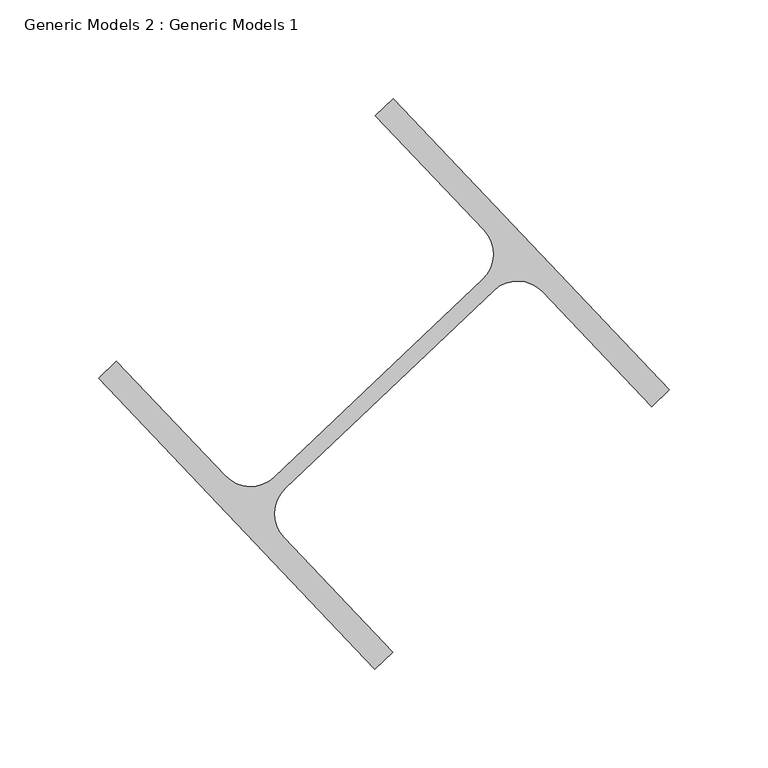
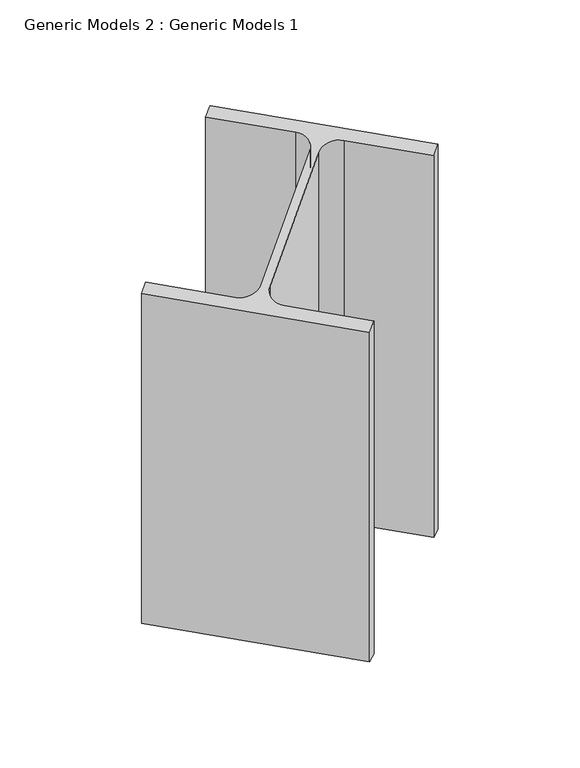
"""IFC4 building model written with IfcOpenShell, lengths in millimetres: proxy geometry, Generic Models 2 : Generic Models 1."""

from ifc_helpers import new_model, si_unit, frame, origin, place, context, project, spatial, polyline, circle_curve, ellipse_curve, source, transform, mapped, element, save
from ifc_brep_helpers import plane_surface, revolved_surface, advanced_brep


def generic_models_2_generic_models_1_a62232af(model_context):
    return source(origin(), model_context, "Body", "AdvancedBrep", [
        advanced_brep(
        [(110651.067529, 55445.4400505, 17094.2), (110791.2908629, 55297.6754881, 17094.2), (110782.170731, 55289.020806, 17094.2), (110726.8769288, 55347.2883158, 17094.2), (110702.0101435, 55347.9394755, 17094.2), (110596.1613391, 55247.4927108, 17094.2), (110595.5101794, 55222.6259255, 17094.2), (110650.8039816, 55164.3584157, 17094.2), (110641.6838497, 55155.7037336, 17094.2), (110501.4605158, 55303.468296, 17094.2), (110510.5806477, 55312.122978, 17094.2), (110565.8744499, 55253.8554683, 17094.2), (110590.7412352, 55253.2043086, 17094.2), (110696.5900395, 55353.6510733, 17094.2), (110697.2411992, 55378.5178586, 17094.2), (110641.9473971, 55436.7853684, 17094.2), (110641.9473971, 55436.7853684, 17492.9505337), (110651.067529, 55445.4400505, 17496.4957048), (110697.2411992, 55378.5178586, 17492.9505337), (110696.5900395, 55353.6510733, 17487.9908753), (110590.7412352, 55253.2043086, 17446.8454053), (110565.8744499, 55253.8554683, 17441.8857469), (110510.5806477, 55312.122978, 17441.8857469), (110501.4605158, 55303.468296, 17438.3405758), (110641.6838497, 55155.7037336, 17438.3405758), (110650.8039816, 55164.3584157, 17441.8857469), (110595.5101794, 55222.6259255, 17441.8857469), (110596.1613391, 55247.4927108, 17446.8454053), (110702.0101435, 55347.9394755, 17487.9908753), (110726.8769288, 55347.2883158, 17492.9505337), (110782.170731, 55289.020806, 17492.9505337), (110791.2908629, 55297.6754881, 17496.4957048)],
        [
            (0, 1),
            (1, 2),
            (2, 3),
            (3, 4, circle_curve(frame((110714.1179563, 55335.180503, 17094.2), z_axis=(0.0, 0.0, 1.0), x_axis=(-0.6883545756937515, 0.7253743710122901, 0.0)), 17.5895)),
            (4, 5),
            (5, 6, circle_curve(frame((110608.2691519, 55234.7337383, 17094.2), z_axis=(0.0, 0.0, 1.0), x_axis=(-0.6883545756937515, 0.7253743710122901, 0.0)), 17.5895)),
            (6, 7),
            (7, 8),
            (8, 9),
            (9, 10),
            (10, 11),
            (11, 12, circle_curve(frame((110578.6334224, 55265.9632811, 17094.2), z_axis=(0.0, 0.0, 1.0), x_axis=(-0.6883545756937515, 0.7253743710122901, 0.0)), 17.5895)),
            (12, 13),
            (13, 14, circle_curve(frame((110684.4822267, 55366.4100458, 17094.2), z_axis=(0.0, 0.0, 1.0), x_axis=(-0.6883545756937515, 0.7253743710122901, 0.0)), 17.5895)),
            (14, 15),
            (15, 0),
            (15, 16),
            (16, 17),
            (17, 0),
            (14, 18),
            (18, 16),
            (13, 19),
            (19, 18, ellipse_curve(frame((110684.4822267, 55366.4100458, 17487.9908753), z_axis=(-0.19685573746610996, -0.1868091196098546, 0.9624708678486146), x_axis=(0.6981517003833404, 0.6625212258555316, 0.27138501900940354)), 18.2753583, 17.5895)),
            (12, 20),
            (20, 19),
            (11, 21),
            (21, 20, ellipse_curve(frame((110578.6334224, 55265.9632811, 17446.8454053), z_axis=(-0.19685573746610996, -0.1868091196098546, 0.9624708678486146), x_axis=(0.6981517003833404, 0.6625212258555316, 0.27138501900940354)), 18.2753583, 17.5895)),
            (10, 22),
            (22, 21),
            (9, 23),
            (23, 22),
            (8, 24),
            (24, 23),
            (7, 25),
            (25, 24),
            (6, 26),
            (26, 25),
            (5, 27),
            (27, 26, ellipse_curve(frame((110608.2691519, 55234.7337383, 17446.8454053), z_axis=(-0.19685573746610996, -0.1868091196098546, 0.9624708678486146), x_axis=(0.6981517003833404, 0.6625212258555316, 0.27138501900940354)), 18.2753583, 17.5895)),
            (4, 28),
            (28, 27),
            (3, 29),
            (29, 28, ellipse_curve(frame((110714.1179563, 55335.180503, 17487.9908753), z_axis=(-0.19685573746610996, -0.1868091196098546, 0.9624708678486146), x_axis=(0.6981517003833404, 0.6625212258555316, 0.27138501900940354)), 18.2753583, 17.5895)),
            (2, 30),
            (30, 29),
            (1, 31),
            (31, 30),
            (17, 31),
        ],
        [
            plane_surface(frame((110721.179196, 55371.5577693, 17094.2), z_axis=(0.0, 0.0, -1.0), x_axis=(0.6883545756937528, -0.7253743710122889, 0.0))),
            plane_surface(frame((110641.9473971, 55436.7853684, 17094.2), z_axis=(-0.6883545756937515, 0.7253743710122901, 0.0), x_axis=(0.0, 0.0, 1.0))),
            plane_surface(frame((110697.2411992, 55378.5178586, 17094.2), z_axis=(-0.7253743710122901, -0.6883545756937515, 0.0), x_axis=(0.0, 0.0, 1.0))),
            revolved_surface(polyline([(110672.37441389084, 55379.169018298926, 17492.95053375965), (110672.37441389084, 55379.169018298926, 17094.2)]), (110684.4822267, 55366.4100458, 17094.2), (0.0, 0.0, 1.0)),
            plane_surface(frame((110590.7412352, 55253.2043086, 17094.2), z_axis=(-0.6883545756937515, 0.7253743710122901, 0.0), x_axis=(0.0, 0.0, 1.0))),
            revolved_surface(polyline([(110566.52560959084, 55278.72225359892, 17451.805063759646), (110566.52560959084, 55278.72225359892, 17094.2)]), (110578.6334224, 55265.9632811, 17094.2), (0.0, 0.0, 1.0)),
            plane_surface(frame((110510.5806477, 55312.122978, 17094.2), z_axis=(0.7253743710122901, 0.6883545756937515, 0.0), x_axis=(0.0, 0.0, 1.0))),
            plane_surface(frame((110501.4605158, 55303.468296, 17094.2), z_axis=(-0.6883545756937515, 0.7253743710122901, 0.0), x_axis=(0.0, 0.0, 1.0))),
            plane_surface(frame((110641.6838497, 55155.7037336, 17094.2), z_axis=(-0.7253743710122901, -0.6883545756937515, 0.0), x_axis=(0.0, 0.0, 1.0))),
            plane_surface(frame((110650.8039816, 55164.3584157, 17094.2), z_axis=(0.6883545756937515, -0.7253743710122901, 0.0), x_axis=(0.0, 0.0, 1.0))),
            plane_surface(frame((110595.5101794, 55222.6259255, 17094.2), z_axis=(0.7253743710122901, 0.6883545756937515, 0.0), x_axis=(0.0, 0.0, 1.0))),
            revolved_surface(polyline([(110596.16133909085, 55247.49271079892, 17451.805063759646), (110596.16133909085, 55247.49271079892, 17094.2)]), (110608.2691519, 55234.7337383, 17094.2), (0.0, 0.0, 1.0)),
            plane_surface(frame((110702.0101435, 55347.9394755, 17094.2), z_axis=(0.6883545756937515, -0.7253743710122901, 0.0), x_axis=(0.0, 0.0, 1.0))),
            revolved_surface(polyline([(110702.01014349084, 55347.939475498926, 17492.95053375965), (110702.01014349084, 55347.939475498926, 17094.2)]), (110714.1179563, 55335.180503, 17094.2), (0.0, 0.0, 1.0)),
            plane_surface(frame((110782.170731, 55289.020806, 17094.2), z_axis=(-0.7253743710122901, -0.6883545756937515, 0.0), x_axis=(0.0, 0.0, 1.0))),
            plane_surface(frame((110791.2908629, 55297.6754881, 17094.2), z_axis=(0.6883545756937515, -0.7253743710122901, 0.0), x_axis=(0.0, 0.0, 1.0))),
            plane_surface(frame((110651.067529, 55445.4400505, 17094.2), z_axis=(0.7253743710122901, 0.6883545756937515, 0.0), x_axis=(0.0, 0.0, 1.0))),
            plane_surface(frame((110118.1799595, 56200.3390724, 17534.0241614), z_axis=(-0.19685573746610996, -0.1868091196098546, 0.9624708678486146), x_axis=(0.6883545756937519, -0.7253743710122897, 0.0))),
        ],
        [
            (0, [[1, 2, 3, 4, 5, 6, 7, 8, 9, 10, 11, 12, 13, 14, 15, 16]]),
            (1, [[-16, 17, 18, 19]]),
            (2, [[-15, 20, 21, -17]]),
            (3, [[-14, 22, 23, -20]]),
            (4, [[-13, 24, 25, -22]]),
            (5, [[-12, 26, 27, -24]]),
            (6, [[-11, 28, 29, -26]]),
            (7, [[-10, 30, 31, -28]]),
            (8, [[-9, 32, 33, -30]]),
            (9, [[-8, 34, 35, -32]]),
            (10, [[-7, 36, 37, -34]]),
            (11, [[-6, 38, 39, -36]]),
            (12, [[-5, 40, 41, -38]]),
            (13, [[-4, 42, 43, -40]]),
            (14, [[-3, 44, 45, -42]]),
            (15, [[-2, 46, 47, -44]]),
            (16, [[-1, -19, 48, -46]]),
            (17, [[-18, -21, -23, -25, -27, -29, -31, -33, -35, -37, -39, -41, -43, -45, -47, -48]]),
        ],
    ),
    ])


if __name__ == "__main__":
    model = new_model("IFC4")
    model_context = context("Model", 3, world=origin())
    ifc_project = project(units=[si_unit("LENGTHUNIT", "METRE", prefix="MILLI")], contexts=[model_context])
    site = spatial("IfcSite", under=ifc_project)
    building = spatial("IfcBuilding", under=site)
    placement = place(None, origin())
    generic_models_2_generic_models_1_shape = generic_models_2_generic_models_1_a62232af(model_context)
    element("IfcBuildingElementProxy", 1, Name="Generic Models 2 : Generic Models 1", ObjectType="Generic Models 2 : Generic Models 1", at=placement, inside=building, context=model_context, shape_type="MappedRepresentation", body=[
        mapped(generic_models_2_generic_models_1_shape, transform((0.0, 0.0, 0.0), x_axis=(1.0, 0.0, 0.0), y_axis=(0.0, 1.0, 0.0), z_axis=(0.0, 0.0, 1.0))),
    ])
    save(model, "model.ifc")
